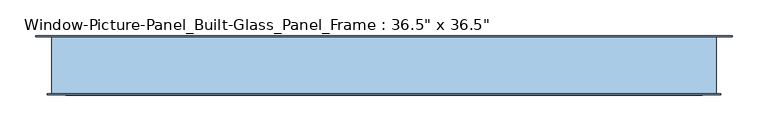
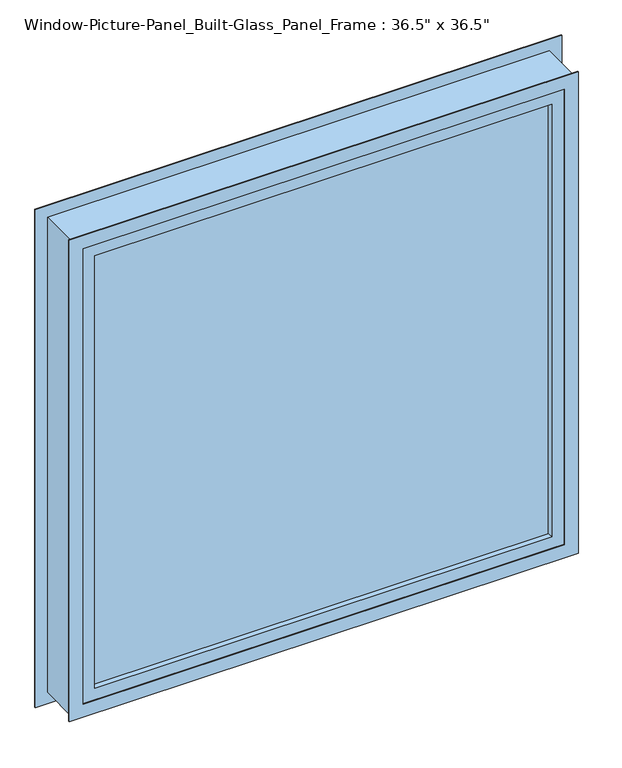
"""IFC4 building model written with IfcOpenShell, lengths in millimetres: window geometry."""

from ifc_helpers import new_model, si_unit, frame, origin, place, context, project, spatial, polyline, outline, extrude, faceted_brep, source, transform, mapped, element, save


def window_e0e33e8c(model_context):
    return source(origin(), model_context, "Body", "SolidModel", [
        faceted_brep([(-469.9, -39.6875, 1847.85), (-469.9, -39.6875, 908.05), (-469.9, -41.2623117, 908.05), (-469.9, -41.2623117, 1847.85), (-463.55, 39.6875, 1841.5), (-463.55, 39.6875, 914.4), (-463.55, -39.6875, 914.4), (-463.55, -39.6875, 1841.5), (-486.0378905, 41.2420829, 1863.9878905), (-486.0378905, 41.2420829, 891.9121095), (-486.0378905, 39.6875, 891.9121095), (-486.0378905, 39.6875, 1863.9878905), (-447.9378905, 29.4516277, 1825.8878905), (-447.9378905, 29.4516277, 930.0121095), (-447.9378905, 41.2420829, 930.0121095), (-447.9378905, 41.2420829, 1825.8878905), (-444.5126533, -41.2623117, 1822.4626533), (-444.5126533, -41.2623117, 933.4373467), (-444.5126533, -39.6875, 933.4373467), (-444.5126533, -39.6875, 1822.4626533), (469.9, -39.6875, 908.05), (469.9, -41.2623117, 908.05), (463.55, 39.6875, 914.4), (463.55, -39.6875, 914.4), (486.0378905, 41.2420829, 891.9121095), (486.0378905, 39.6875, 891.9121095), (447.9378905, 29.4516277, 930.0121095), (447.9378905, 41.2420829, 930.0121095), (444.5126533, -41.2623117, 933.4373467), (444.5126533, -39.6875, 933.4373467), (469.9, -39.6875, 1847.85), (469.9, -41.2623117, 1847.85), (463.55, 39.6875, 1841.5), (463.55, -39.6875, 1841.5), (486.0378905, 41.2420829, 1863.9878905), (486.0378905, 39.6875, 1863.9878905), (447.9378905, 29.4516277, 1825.8878905), (447.9378905, 41.2420829, 1825.8878905), (444.5126533, -41.2623117, 1822.4626533), (444.5126533, -39.6875, 1822.4626533), (-444.5126533, 29.4516277, 1822.4626533), (-444.5126533, 29.4516277, 933.4373467), (444.5126533, 29.4516277, 933.4373467), (444.5126533, 29.4516277, 1822.4626533), (-444.5126533, 1.8224621, 1822.4626533), (-444.5126533, 1.8224621, 933.4373467), (-422.287431, -0.9395354, 1800.237431), (-422.287431, -0.9395354, 955.662569), (-422.287431, 1.8224621, 955.662569), (-422.287431, 1.8224621, 1800.237431), (-444.5126533, -28.5620354, 1822.4626533), (-444.5126533, -28.5620354, 933.4373467), (-444.5126533, -0.9395354, 933.4373467), (-444.5126533, -0.9395354, 1822.4626533), (-422.287431, -39.6875, 1800.237431), (-422.287431, -39.6875, 955.662569), (-422.287431, -28.5620354, 955.662569), (-422.287431, -28.5620354, 1800.237431), (444.5126533, 1.8224621, 933.4373467), (422.287431, -0.9395354, 955.662569), (422.287431, 1.8224621, 955.662569), (444.5126533, -28.5620354, 933.4373467), (444.5126533, -0.9395354, 933.4373467), (422.287431, -39.6875, 955.662569), (422.287431, -28.5620354, 955.662569), (444.5126533, 1.8224621, 1822.4626533), (422.287431, -0.9395354, 1800.237431), (422.287431, 1.8224621, 1800.237431), (444.5126533, -28.5620354, 1822.4626533), (444.5126533, -0.9395354, 1822.4626533), (422.287431, -39.6875, 1800.237431), (422.287431, -28.5620354, 1800.237431)], [[[0, 1, 2, 3]], [[4, 5, 6, 7]], [[8, 9, 10, 11]], [[12, 13, 14, 15]], [[16, 17, 18, 19]], [[1, 20, 21, 2]], [[5, 22, 23, 6]], [[9, 24, 25, 10]], [[13, 26, 27, 14]], [[17, 28, 29, 18]], [[20, 30, 31, 21]], [[22, 32, 33, 23]], [[24, 34, 35, 25]], [[26, 36, 37, 27]], [[28, 38, 39, 29]], [[3, 2, 21, 31], [17, 16, 38, 28]], [[30, 0, 3, 31]], [[1, 0, 30, 20], [7, 6, 23, 33]], [[32, 4, 7, 33]], [[11, 10, 25, 35], [5, 4, 32, 22]], [[34, 8, 11, 35]], [[9, 8, 34, 24], [15, 14, 27, 37]], [[36, 12, 15, 37]], [[13, 12, 36, 26], [40, 41, 42, 43]], [[38, 16, 19, 39]], [[44, 45, 41, 40]], [[46, 47, 48, 49]], [[50, 51, 52, 53]], [[54, 55, 56, 57]], [[45, 58, 42, 41]], [[47, 59, 60, 48]], [[51, 61, 62, 52]], [[55, 63, 64, 56]], [[58, 65, 43, 42]], [[59, 66, 67, 60]], [[61, 68, 69, 62]], [[63, 70, 71, 64]], [[65, 44, 40, 43]], [[45, 44, 65, 58], [49, 48, 60, 67]], [[66, 46, 49, 67]], [[53, 52, 62, 69], [47, 46, 66, 59]], [[68, 50, 53, 69]], [[51, 50, 68, 61], [57, 56, 64, 71]], [[70, 54, 57, 71]], [[19, 18, 29, 39], [55, 54, 70, 63]]]),
        extrude(outline(polyline([(-444.5126533, -0.9395354), (444.5126533, -0.9395354), (444.5126533, -28.5620354), (-444.5126533, -28.5620354), (-444.5126533, -0.9395354)])), frame((0.0, 0.0, 933.4373467), z_axis=(0.0, 0.0, 1.0), x_axis=(1.0, 0.0, 0.0)), (0.0, 0.0, 1.0), 889.0253065),
    ])


if __name__ == "__main__":
    model = new_model("IFC4")
    model_context = context("Model", 3, world=origin())
    ifc_project = project(units=[si_unit("LENGTHUNIT", "METRE", prefix="MILLI")], contexts=[model_context])
    site = spatial("IfcSite", under=ifc_project)
    building = spatial("IfcBuilding", under=site)
    placement = place(None, origin())
    window_shape = window_e0e33e8c(model_context)
    element("IfcWindow", 1, ObjectType="Window-Picture-Panel_Built-Glass_Panel_Frame : 36.5\" x 36.5\"", at=placement, inside=building, context=model_context, shape_type="MappedRepresentation", body=[
        mapped(window_shape, transform((0.0, 0.0, 0.0), x_axis=(1.0, 0.0, 0.0), y_axis=(0.0, 1.0, 0.0), z_axis=(0.0, 0.0, 1.0))),
    ])
    save(model, "model.ifc")
